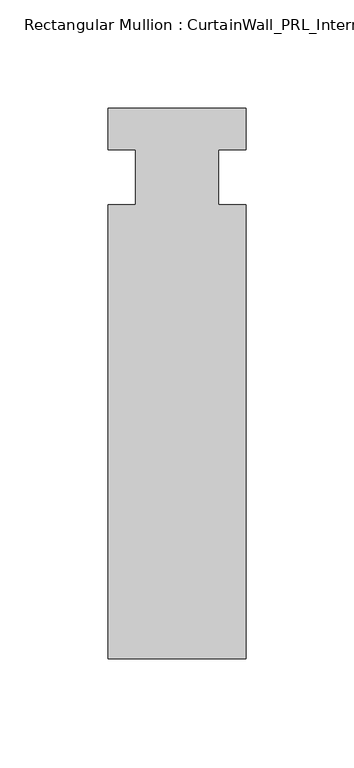
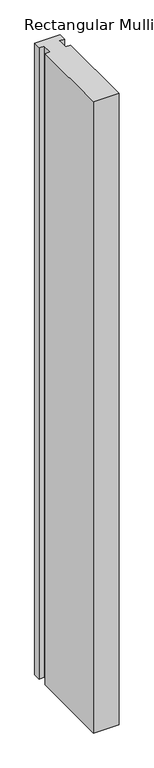
"""IFC4 building model written with IfcOpenShell, lengths in millimetres: member geometry, Rectangular Mullion : CurtainWall_PRL_Intermediate_1002."""

from ifc_helpers import new_model, si_unit, frame, origin, place, context, project, spatial, polyline, outline, extrude, source, transform, mapped, element, save


def rectangular_mullion_curtainwall_prl_intermediate_1002_be489723(model_context):
    return source(origin(), model_context, "Body", "SweptSolid", [
        extrude(outline(polyline([(-19.05, -12.7), (-19.05, 12.7), (-31.75, 12.7), (-31.75, 31.75), (31.75, 31.75), (31.75, 12.7), (19.05, 12.7), (19.05, -12.7), (31.75, -12.7), (31.75, -222.25), (-31.75, -222.25), (-31.75, -12.7), (-19.05, -12.7)])), frame((0.0, 0.0, -1663.7), z_axis=(0.0, 0.0, 1.0), x_axis=(1.0, 0.0, 0.0)), (0.0, 0.0, 1.0), 1663.7),
    ])


if __name__ == "__main__":
    model = new_model("IFC4")
    model_context = context("Model", 3, world=origin())
    ifc_project = project(units=[si_unit("LENGTHUNIT", "METRE", prefix="MILLI")], contexts=[model_context])
    site = spatial("IfcSite", under=ifc_project)
    building = spatial("IfcBuilding", under=site)
    placement = place(None, origin())
    rectangular_mullion_curtainwall_prl_intermediate_1002_shape = rectangular_mullion_curtainwall_prl_intermediate_1002_be489723(model_context)
    element("IfcMember", 1, ObjectType="Rectangular Mullion : CurtainWall_PRL_Intermediate_1002", at=placement, inside=building, context=model_context, shape_type="MappedRepresentation", body=[
        mapped(rectangular_mullion_curtainwall_prl_intermediate_1002_shape, transform((0.0, 0.0, 0.0), x_axis=(1.0, 0.0, 0.0), y_axis=(0.0, 1.0, 0.0), z_axis=(0.0, 0.0, 1.0))),
    ])
    save(model, "model.ifc")
